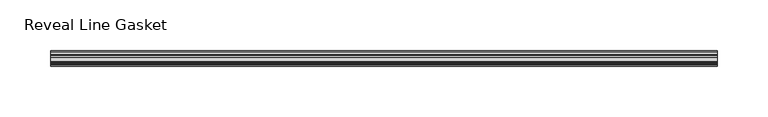
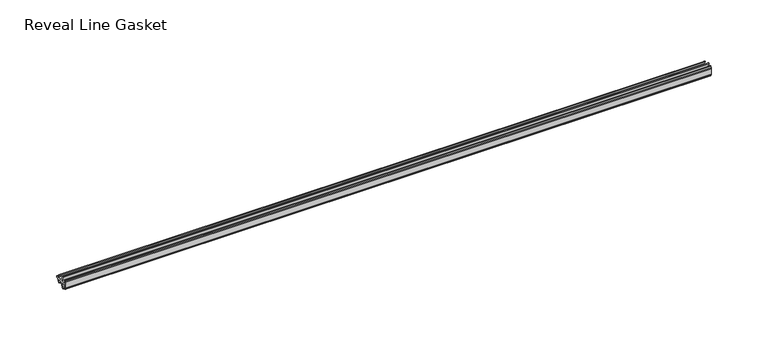
"""IFC4 building model written with IfcOpenShell, lengths in millimetres: furniture geometry, Reveal Line Gasket."""

from ifc_helpers import new_model, si_unit, point, frame, frame_2d, origin, place, context, project, spatial, polyline, circle_curve, trimmed, segment, composite_curve, outline, extrude, source, transform, mapped, element, save


def reveal_line_gasket_96b295db(model_context):
    return source(origin(), model_context, "Body", "SweptSolid", [
        extrude(outline(composite_curve([segment(polyline([(-7.6326998, 1603.2), (-7.4091917, 1604.1554927), (-6.8813059, 1605.0884684)]), True, "CONTINUOUS"), segment(trimmed(circle_curve(frame_2d((-6.5243141, 1604.8864793)), 0.4101739), [point((-6.8813059, 1605.0884684))], [point((-6.1246704, 1604.7941347))], False, "CARTESIAN"), True, "CONTINUOUS"), segment(polyline([(-6.1246704, 1604.7941347), (-6.3626997, 1603.0979086), (-6.3626997, 1601.0654527)]), True, "CONTINUOUS"), segment(trimmed(circle_curve(frame_2d((-5.6959605, 1601.4819258)), 0.786124), [point((-6.3626997, 1601.0654527))], [point((-5.0926996, 1600.977875))], True, "CARTESIAN"), True, "CONTINUOUS"), segment(polyline([(-5.0926996, 1600.977875), (-0.7492996, 1600.977875), (-3.7293824, 1606.1395295)]), True, "CONTINUOUS"), segment(trimmed(circle_curve(frame_2d((-3.3132479, 1606.2049761)), 0.4212495), [point((-3.7293824, 1606.1395295))], [point((-3.0485022, 1606.5326358))], False, "CARTESIAN"), True, "CONTINUOUS"), segment(polyline([(-3.0485022, 1606.5326358), (0.5742594, 1600.977875), (4.8262978, 1600.977875), (3.1660374, 1603.8535297)]), True, "CONTINUOUS"), segment(trimmed(circle_curve(frame_2d((3.5978728, 1603.9118855)), 0.4357605), [point((3.1660374, 1603.8535297))], [point((3.864328, 1604.2566881))], False, "CARTESIAN"), True, "CONTINUOUS"), segment(polyline([(3.864328, 1604.2566881), (6.1944059, 1600.977875), (7.6326998, 1600.977875), (7.6326998, 1599.422125), (6.1944059, 1599.422125), (3.864328, 1596.1433119)]), True, "CONTINUOUS"), segment(trimmed(circle_curve(frame_2d((3.5978728, 1596.4881145)), 0.4357605), [point((3.864328, 1596.1433119))], [point((3.1660374, 1596.5464703))], False, "CARTESIAN"), True, "CONTINUOUS"), segment(polyline([(3.1660374, 1596.5464703), (4.8262978, 1599.422125), (0.5742594, 1599.422125), (-3.0485022, 1593.8673642)]), True, "CONTINUOUS"), segment(trimmed(circle_curve(frame_2d((-3.3132479, 1594.1950239)), 0.4212495), [point((-3.0485022, 1593.8673642))], [point((-3.7293824, 1594.2604705))], False, "CARTESIAN"), True, "CONTINUOUS"), segment(polyline([(-3.7293824, 1594.2604705), (-0.7492996, 1599.422125), (-5.0926996, 1599.422125)]), True, "CONTINUOUS"), segment(trimmed(circle_curve(frame_2d((-5.6959605, 1598.9180742)), 0.786124), [point((-5.0926996, 1599.422125))], [point((-6.3626997, 1599.3345473))], True, "CARTESIAN"), True, "CONTINUOUS"), segment(polyline([(-6.3626997, 1599.3345473), (-6.3626997, 1597.3020914), (-6.1246704, 1595.6058653)]), True, "CONTINUOUS"), segment(trimmed(circle_curve(frame_2d((-6.5243141, 1595.5135207)), 0.4101739), [point((-6.1246704, 1595.6058653))], [point((-6.8813059, 1595.3115316))], False, "CARTESIAN"), True, "CONTINUOUS"), segment(polyline([(-6.8813059, 1595.3115316), (-7.4091917, 1596.2445073), (-7.6326998, 1597.2), (-7.6326998, 1603.2)]), True, "CONTINUOUS")], self_intersect=False)), frame((-328.3204, 0.0, 0.0), z_axis=(1.0, 0.0, 0.0), x_axis=(0.0, 1.0, 0.0)), (0.0, 0.0, 1.0), 656.6408),
    ])


if __name__ == "__main__":
    model = new_model("IFC4")
    model_context = context("Model", 3, world=origin())
    ifc_project = project(units=[si_unit("LENGTHUNIT", "METRE", prefix="MILLI")], contexts=[model_context])
    site = spatial("IfcSite", under=ifc_project)
    building = spatial("IfcBuilding", under=site)
    placement = place(None, origin())
    reveal_line_gasket_shape = reveal_line_gasket_96b295db(model_context)
    element("IfcFurniture", 1, ObjectType="Reveal Line Gasket", at=placement, inside=building, context=model_context, shape_type="MappedRepresentation", body=[
        mapped(reveal_line_gasket_shape, transform((0.0, 0.0, 0.0), x_axis=(1.0, 0.0, 0.0), y_axis=(0.0, 1.0, 0.0), z_axis=(0.0, 0.0, 1.0))),
    ])
    save(model, "model.ifc")
